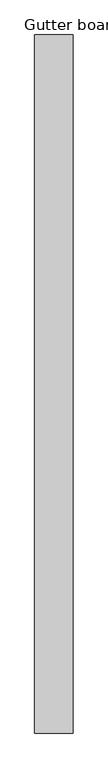
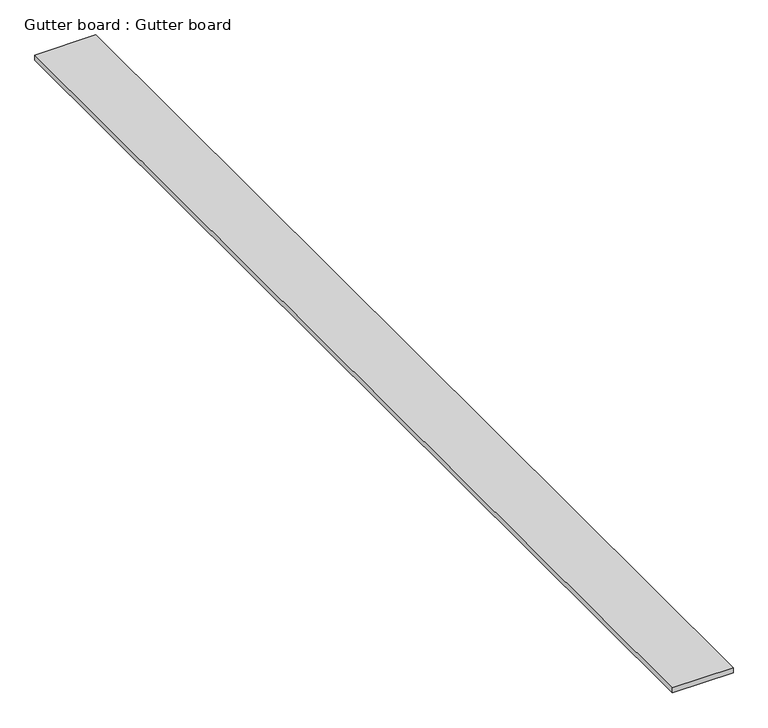
"""IFC4 building model written with IfcOpenShell, lengths in millimetres: proxy geometry, Gutter board : Gutter board."""

from ifc_helpers import new_model, si_unit, frame, origin, place, context, project, spatial, polyline, outline, extrude, source, transform, mapped, element, save


def gutter_board_gutter_board_e5d3b188(model_context):
    return source(origin(), model_context, "Body", "SweptSolid", [
        extrude(outline(polyline([(-11597.1861291, -1346.7884221), (-11767.1861291, -1346.7884221), (-11767.1861291, 1743.2115779), (-11597.1861291, 1743.2115779), (-11597.1861291, -1346.7884221)])), frame((0.0, 0.0, 3784.2452806), z_axis=(0.0, 0.0, 1.0), x_axis=(1.0, 0.0, 0.0)), (0.0, 0.0, 1.0), 15.0),
    ])


if __name__ == "__main__":
    model = new_model("IFC4")
    model_context = context("Model", 3, world=origin())
    ifc_project = project(units=[si_unit("LENGTHUNIT", "METRE", prefix="MILLI")], contexts=[model_context])
    site = spatial("IfcSite", under=ifc_project)
    building = spatial("IfcBuilding", under=site)
    placement = place(None, origin())
    gutter_board_gutter_board_shape = gutter_board_gutter_board_e5d3b188(model_context)
    element("IfcBuildingElementProxy", 1, Name="Gutter board : Gutter board", ObjectType="Gutter board : Gutter board", at=placement, inside=building, context=model_context, shape_type="MappedRepresentation", body=[
        mapped(gutter_board_gutter_board_shape, transform((0.0, 0.0, 0.0), x_axis=(1.0, 0.0, 0.0), y_axis=(0.0, 1.0, 0.0), z_axis=(0.0, 0.0, 1.0))),
    ])
    save(model, "model.ifc")
